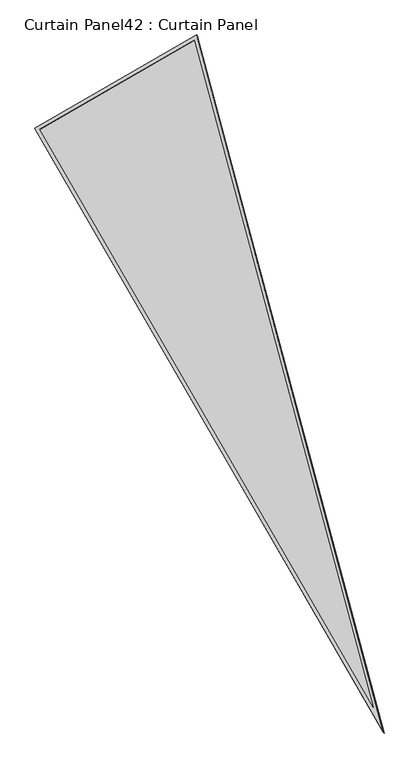
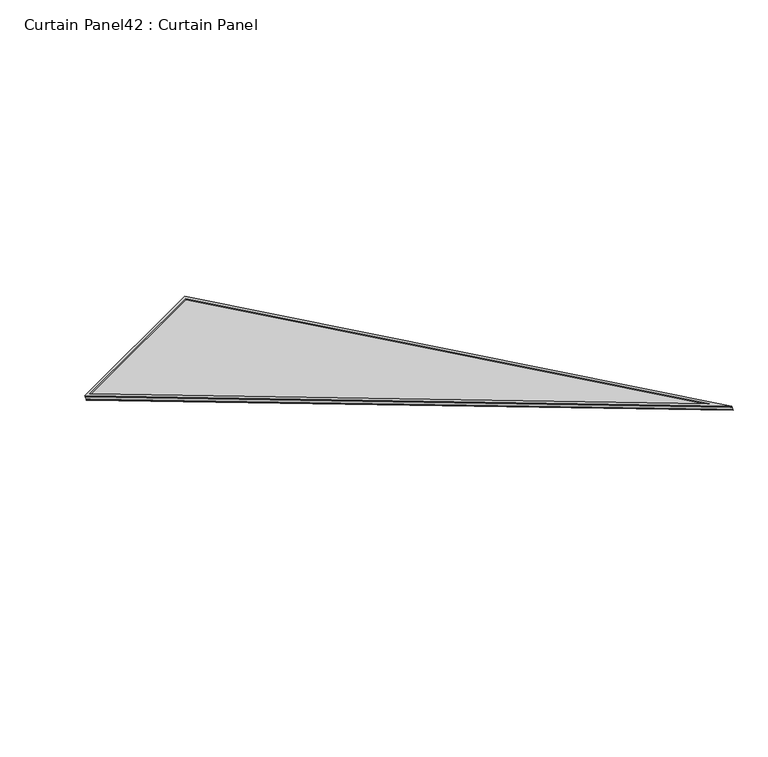
"""IFC4 building model written with IfcOpenShell, lengths in millimetres: plate geometry, Curtain Panel42 : Curtain Panel."""

import ifcopenshell
import ifcopenshell.guid

model = None  # the IFC model being written
_history = None  # IfcOwnerHistory: only IFC2X3 demands one
_inside = {}  # id of a spatial element -> (the spatial element, [elements in it])
_under = {}  # id of a project, library or spatial element -> (it, [spatial elements below it])
_declared = {}  # id of a project -> (the project, [libraries it declares])
_typed = {}  # id of a type object -> (the type object, [elements of that type])
_made_of = {}  # id of a material, layer set ... -> (it, [elements and type objects made of it])


def new_model(schema):
    """Start an empty IFC model of exactly this schema.

    Asked for "IFC4X3", IfcOpenShell would pick the latest addendum, in which some entities
    have other attributes; the version numbers below select the first issue.
    IFC2X3 requires an IfcOwnerHistory on every rooted entity: one is made here for all.
    """
    global model, _history
    if schema == "IFC4X3":
        model = ifcopenshell.file(schema_version=(4, 3, 0, 0))
    else:
        model = ifcopenshell.file(schema=schema)
    _inside.clear()
    _under.clear()
    _declared.clear()
    _typed.clear()
    _made_of.clear()
    _history = None
    if model.schema == "IFC2X3":
        org = make("IfcOrganization", Name="unknown")
        user = make(
            "IfcPersonAndOrganization",
            ThePerson=make("IfcPerson", FamilyName="unknown"),
            TheOrganization=org,
        )
        app = make(
            "IfcApplication",
            ApplicationDeveloper=org,
            Version="unknown",
            ApplicationFullName="unknown",
            ApplicationIdentifier="unknown",
        )
        _history = make(
            "IfcOwnerHistory",
            OwningUser=user,
            OwningApplication=app,
            ChangeAction="ADDED",
            CreationDate=0,
        )
    return model


def make(cls, **values):
    """One entity of the class cls with the attributes given. An attribute that is None is left unset."""
    return model.create_entity(
        cls, **{name: value for name, value in values.items() if value is not None}
    )


def rooted(cls, **values):
    """An entity with a GlobalId (a new one), such as an element, a storey or a relation."""
    return make(cls, GlobalId=ifcopenshell.guid.new(), OwnerHistory=_history, **values)


def si_unit(unit_type, name, prefix=None):
    """IfcSIUnit, for example si_unit("LENGTHUNIT", "METRE", prefix="MILLI")."""
    return make("IfcSIUnit", UnitType=unit_type, Prefix=prefix, Name=name)


def assignment(units):
    """IfcUnitAssignment: the units of a project."""
    return None if units is None else make("IfcUnitAssignment", Units=units)


def point(xyz):
    """IfcCartesianPoint."""
    return None if xyz is None else make("IfcCartesianPoint", Coordinates=xyz)


def direction(xyz):
    """IfcDirection."""
    return None if xyz is None else make("IfcDirection", DirectionRatios=xyz)


def frame(location, z_axis=None, x_axis=None):
    """IfcAxis2Placement3D, a coordinate frame: its origin and axes. An axis left out is left unset."""
    return make(
        "IfcAxis2Placement3D",
        Location=point(location),
        Axis=direction(z_axis),
        RefDirection=direction(x_axis),
    )


def origin():
    """The frame at (0, 0, 0) with its axes left unset."""
    return frame((0.0, 0.0, 0.0))


def place(relative_to, where):
    """IfcLocalPlacement: puts the frame where relative to a parent placement (None: the world)."""
    return make(
        "IfcLocalPlacement", PlacementRelTo=relative_to, RelativePlacement=where
    )


def context(
    kind, dimensions, precision=None, world=None, true_north=None, identifier=None
):
    """IfcGeometricRepresentationContext, for example the 3D "Model" context."""
    return make(
        "IfcGeometricRepresentationContext",
        ContextIdentifier=identifier,
        ContextType=kind,
        CoordinateSpaceDimension=dimensions,
        Precision=precision,
        WorldCoordinateSystem=world,
        TrueNorth=true_north,
    )


def project(units=None, contexts=None):
    """IfcProject with its units and contexts."""
    return rooted(
        "IfcProject",
        Name="project",
        RepresentationContexts=contexts,
        UnitsInContext=assignment(units),
    )


def spatial(cls, under=None, at=None, **own):
    """A site, building, storey or space (cls), placed at a placement, below another one or the project."""
    s = rooted(cls, ObjectPlacement=at, **own)
    if under is not None:
        _under.setdefault(under.id(), (under, []))[1].append(s)
    return s


def polyline(points):
    """IfcPolyline through the points."""
    return make("IfcPolyline", Points=[point(p) for p in points])


def outline(outer, holes=None, kind="AREA"):
    """IfcArbitraryClosedProfileDef: a profile drawn as a closed curve; with holes, ...WithVoids."""
    if holes is None:
        return make("IfcArbitraryClosedProfileDef", ProfileType=kind, OuterCurve=outer)
    return make(
        "IfcArbitraryProfileDefWithVoids",
        ProfileType=kind,
        OuterCurve=outer,
        InnerCurves=holes,
    )


def extrude(swept, where, along, depth):
    """IfcExtrudedAreaSolid: the profile swept, set in the frame where, extruded along a direction by depth."""
    return make(
        "IfcExtrudedAreaSolid",
        SweptArea=swept,
        Position=where,
        ExtrudedDirection=direction(along),
        Depth=depth,
    )


def shape(context_of_items, identifier, shape_type, items):
    """IfcShapeRepresentation: the items that make up one representation, for example the "Body"."""
    return make(
        "IfcShapeRepresentation",
        ContextOfItems=context_of_items,
        RepresentationIdentifier=identifier,
        RepresentationType=shape_type,
        Items=items,
    )


def source(mapping_origin, context_of_items, identifier, shape_type, items):
    """IfcRepresentationMap: a shape defined once, which mapped items show again and again."""
    return make(
        "IfcRepresentationMap",
        MappingOrigin=mapping_origin,
        MappedRepresentation=shape(context_of_items, identifier, shape_type, items),
    )


def transform(
    local_origin,
    x_axis=None,
    y_axis=None,
    z_axis=None,
    scale=None,
    scale2=None,
    scale3=None,
    uniform=True,
):
    """IfcCartesianTransformationOperator3D, or its non-uniform kind. x_axis, y_axis, z_axis: its Axis1, 2, 3."""
    if uniform:
        return make(
            "IfcCartesianTransformationOperator3D",
            Axis1=direction(x_axis),
            Axis2=direction(y_axis),
            LocalOrigin=point(local_origin),
            Scale=scale,
            Axis3=direction(z_axis),
        )
    return make(
        "IfcCartesianTransformationOperator3DnonUniform",
        Axis1=direction(x_axis),
        Axis2=direction(y_axis),
        LocalOrigin=point(local_origin),
        Scale=scale,
        Axis3=direction(z_axis),
        Scale2=scale2,
        Scale3=scale3,
    )


def mapped(mapping_source, mapping_target):
    """IfcMappedItem: shows the shape of a source again, moved by a transform."""
    return make(
        "IfcMappedItem", MappingSource=mapping_source, MappingTarget=mapping_target
    )


def made_of(thing, what):
    """Note that an element or type object is made of a material, layer set ...; save() writes the relation."""
    if what is not None:
        _made_of.setdefault(what.id(), (what, []))[1].append(thing)
    return thing


def element(
    cls,
    number,
    at=None,
    inside=None,
    cuts=None,
    type_object=None,
    material=None,
    context=None,
    identifier="Body",
    shape_type=None,
    held_by="IfcProductDefinitionShape",
    body=None,
    shapes=None,
    **own,
):
    """One element of the class cls, such as IfcWall. Its Tag is "e" and its number.

    at: its placement. inside: the storey or other place that contains it. cuts: it is an
    opening in that element (IfcRelVoidsElement). A single representation is given by context,
    identifier, shape_type and body (its items); several are given by shapes. held_by: the class
    of the entity that holds the representations. save() writes the other relations.
    """
    e = rooted(cls, Tag="e%d" % number, ObjectPlacement=at, **own)
    if body is not None:
        shapes = [shape(context, identifier, shape_type, body)]
    if shapes is not None:
        e.Representation = make(held_by, Representations=shapes)
    if inside is not None:
        _inside.setdefault(inside.id(), (inside, []))[1].append(e)
    if cuts is not None:
        rooted(
            "IfcRelVoidsElement", RelatingBuildingElement=cuts, RelatedOpeningElement=e
        )
    if type_object is not None:
        _typed.setdefault(type_object.id(), (type_object, []))[1].append(e)
    return made_of(e, material)


def aggregate(whole, parts):
    """IfcRelAggregates: a whole, such as a stair, and the parts it consists of."""
    return rooted("IfcRelAggregates", RelatingObject=whole, RelatedObjects=parts)


def save(model, path):
    """Write the relations noted so far, then the file.

    IfcRelAggregates (storeys below a building ...), IfcRelContainedInSpatialStructure (elements
    in a storey), IfcRelDefinesByType, IfcRelAssociatesMaterial and IfcRelDeclares: one each for
    every whole, place, type object, material and project.
    """
    for whole, parts in _under.values():
        aggregate(whole, parts)
    for where, things in _inside.values():
        rooted(
            "IfcRelContainedInSpatialStructure",
            RelatedElements=things,
            RelatingStructure=where,
        )
    for kind, things in _typed.values():
        rooted("IfcRelDefinesByType", RelatedObjects=things, RelatingType=kind)
    for what, things in _made_of.values():
        rooted("IfcRelAssociatesMaterial", RelatedObjects=things, RelatingMaterial=what)
    for by, libraries in _declared.values():
        rooted("IfcRelDeclares", RelatingContext=by, RelatedDefinitions=libraries)
    model.write(path)


def curtain_panel42_curtain_panel_c6ca2da3(model_context):
    return source(origin(), model_context, "Body", "SweptSolid", [
        extrude(outline(polyline([(895.9373554, 0.0), (0.0, -3524.4506618), (0.0, 0.0), (895.9373554, 0.0)]), holes=[polyline([(882.6749851, -10.3127979), (10.312798, -10.3127979), (10.3127979, -3442.0231397), (882.6749851, -10.3127979)])]), frame((9717.7216373, 7531.5288231, 881.9772337), z_axis=(-0.1580729119869003, 0.27379031486168204, 0.9487106081329136), x_axis=(0.866025403784443, 0.4999999999999924, 0.0)), (0.0, 0.0, 1.0), 4.8085375),
        extrude(outline(polyline([(895.9373553, 0.0), (0.0, -3524.4506618), (0.0, 0.0), (895.9373553, 0.0)]), holes=[polyline([(874.508816, -16.6627979), (16.6627978, -16.6627979), (16.6627979, -3391.2692346), (874.508816, -16.6627979)])]), frame((9714.9283072, 7536.3670129, 898.7420412), z_axis=(-0.15807291198690057, 0.27379031486168126, 0.948710608132914), x_axis=(0.8660254037844425, 0.4999999999999933, 0.0)), (0.0, 0.0, 1.0), 4.8078499),
        extrude(outline(polyline([(12.7, 0.0), (908.6373554, 0.0), (12.7, -3524.4506618), (12.7, 0.0)])), frame((9705.9584755, 7526.5032171, 886.5663902), z_axis=(-0.15807291198689916, 0.27379031486168054, 0.9487106081329142), x_axis=(0.8660254037844438, 0.49999999999999123, 0.0)), (0.0, 0.0, 1.0), 12.8338936),
    ])


if __name__ == "__main__":
    model = new_model("IFC4")
    model_context = context("Model", 3, world=origin())
    ifc_project = project(units=[si_unit("LENGTHUNIT", "METRE", prefix="MILLI")], contexts=[model_context])
    site = spatial("IfcSite", under=ifc_project)
    building = spatial("IfcBuilding", under=site)
    placement = place(None, origin())
    curtain_panel42_curtain_panel_shape = curtain_panel42_curtain_panel_c6ca2da3(model_context)
    element("IfcPlate", 1, ObjectType="Curtain Panel42 : Curtain Panel", at=placement, inside=building, context=model_context, shape_type="MappedRepresentation", body=[
        mapped(curtain_panel42_curtain_panel_shape, transform((0.0, 0.0, 0.0), x_axis=(1.0, 0.0, 0.0), y_axis=(0.0, 1.0, 0.0), z_axis=(0.0, 0.0, 1.0))),
    ])
    save(model, "model.ifc")
